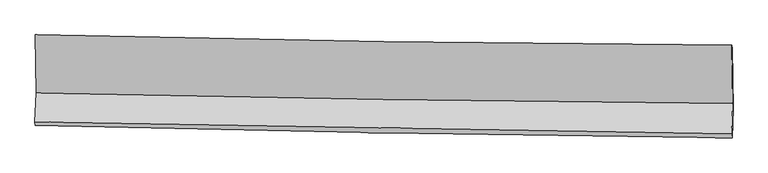
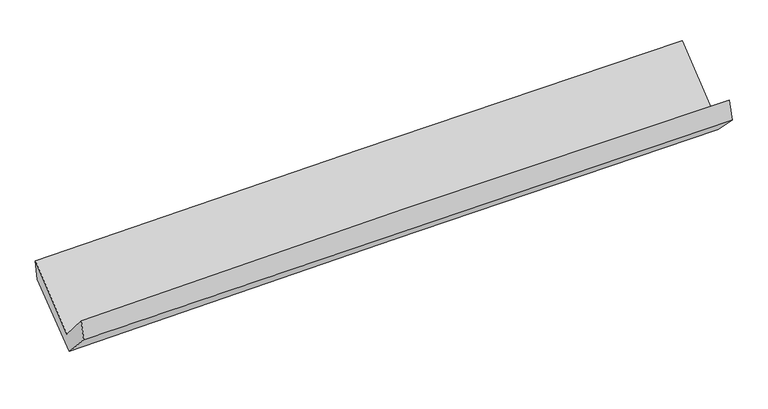
"""IFC4 building model written with IfcOpenShell, lengths in millimetres: proxy geometry."""

from ifc_helpers import new_model, si_unit, frame, origin, place, context, project, spatial, source, transform, mapped, element, save
from ifc_brep_helpers import plane_surface, spline_curve, spline_surface, advanced_brep


def generic_models_2242b360(model_context):
    return source(origin(), model_context, "Body", "AdvancedBrep", [
        advanced_brep(
        [(-3023.2710641, -1165.7506147, 2160.5037349), (-3016.4706133, -1668.1714794, 1731.4702966), (3009.6626958, -1762.1552603, 1858.2688236), (3002.7780909, -1253.4830888, 2292.6232131), (-3026.565024, -1919.0086367, 2023.3777081), (2998.8722281, -2024.8850335, 2172.174923), (-3022.2303746, -1950.4000709, 1849.884446), (3003.4164476, -2060.0050527, 1989.5284593), (-3012.6670375, -1698.9072639, 1578.1289036), (3012.4240772, -1807.4699078, 1738.9828433), (-3018.902591, -1189.3789682, 1988.4283394), (3006.7380326, -1280.6845267, 2134.6385147)],
        [
            (0, 1),
            (1, 2, spline_curve(3, [(-3016.4706133, -1668.1714794, 1731.4702966), (-2012.620856131, -1691.393567077, 1768.839621603), (-1008.516545179, -1710.836605841, 1798.090836171), (1000.194561309, -1742.164483059, 1840.356904662), (2004.801353135, -1754.04937114, 1853.371865907), (3009.6626958, -1762.1552603, 1858.2688236)], [4, 2, 4], [0.0, 9.88913454590495, 19.778203875689925])),
            (2, 3),
            (3, 0, spline_curve(3, [(3002.7780909, -1253.4830888, 2292.6232131), (1997.959053674, -1248.49734902, 2285.059126271), (993.380427142, -1238.693479608, 2270.267186495), (-1015.302627919, -1209.449385164, 2226.227455489), (-2019.407053062, -1190.009096533, 2196.979569344), (-3023.2710641, -1165.7506147, 2160.5037349)], [4, 2, 4], [0.0, 9.889069329784975, 19.778203875689925])),
            (1, 4),
            (4, 5, spline_curve(3, [(-3026.565024, -1919.0086367, 2023.3777081), (-2022.633451514, -1937.711053598, 2059.241766862), (-1018.54623824, -1955.885322335, 2089.573586723), (989.932848135, -1991.177447894, 2139.172585531), (1994.324718571, -2008.29531128, 2158.439837138), (2998.8722281, -2024.8850335, 2172.174923)], [4, 2, 4], [0.0, 9.889044052945371, 19.77802289036754])),
            (5, 2),
            (4, 6),
            (6, 7, spline_curve(3, [(-3022.2303746, -1950.4000709, 1849.884446), (-2018.133071631, -1975.085634172, 1877.459767102), (-1013.945529167, -1996.562184027, 1902.884459867), (994.603413032, -2033.097135703, 1949.432435847), (1998.964810879, -2048.155579778, 1970.555747378), (3003.4164476, -2060.0050527, 1989.5284593)], [4, 2, 4], [0.0, 9.888967913984152, 19.77787061294722])),
            (7, 5),
            (6, 8),
            (8, 9, spline_curve(3, [(-3012.6670375, -1698.9072639, 1578.1289036), (-2008.843700815, -1722.96265986, 1616.201060337), (-1004.839449945, -1744.037265025, 1648.641659325), (1003.524257221, -1780.224773652, 1702.259564877), (2007.883711412, -1795.337716592, 1723.436945711), (3012.4240772, -1807.4699078, 1738.9828433)], [4, 2, 4], [0.0, 9.88900270565638, 19.777940196062232])),
            (9, 7),
            (8, 10),
            (10, 11, spline_curve(3, [(-3018.902591, -1189.3789682, 1988.4283394), (-2014.761043168, -1208.831840655, 2016.154753921), (-1010.551894609, -1226.167091243, 2042.202177169), (997.994980681, -1256.602249801, 2090.938879928), (2002.332706692, -1269.702184978, 2113.628181903), (3006.7380326, -1280.6845267, 2134.6385147)], [4, 2, 4], [0.0, 9.888845014382897, 19.7776248145552])),
            (11, 9),
            (10, 0),
            (3, 11),
        ],
        [
            spline_surface(3, 3, [[(-3023.2710641, -1165.7506147, 2160.5037349), (-2019.407052964, -1190.009096516, 2196.979569386), (-1015.302627798, -1209.449385129, 2226.227455628), (993.38042702, -1238.693479642, 2270.267186357), (1997.959053559, -1248.497349005, 2285.059126193), (3002.7780909, -1253.4830888, 2292.6232131)], [(-3021.004247187, -1333.224236284, 2017.49258878), (-2017.144987384, -1357.13725335, 2054.266253447), (-1013.040600245, -1376.578458711, 2083.515249116), (995.651805099, -1406.517147429, 2126.963759139), (2000.239820128, -1417.01468968, 2141.163372756), (3005.072959202, -1423.040479293, 2147.838416605)], [(-3018.737430213, -1500.697857816, 1874.48144272), (-2014.882921743, -1524.26541013, 1911.552937567), (-1010.778572685, -1543.707532305, 1940.803042622), (997.923183184, -1574.340815227, 1983.660331941), (2002.52058669, -1585.532030374, 1997.267619305), (3007.367827498, -1592.597869807, 2003.053620095)], [(-3016.4706133, -1668.1714794, 1731.4702966), (-2012.620856162, -1691.393566964, 1768.839621628), (-1008.516545132, -1710.836605886, 1798.09083611), (1000.194561262, -1742.164483014, 1840.356904723), (2004.801353258, -1754.049371049, 1853.371865869), (3009.6626958, -1762.1552603, 1858.2688236)]], [4, 4], [4, 2, 4], [0.0, 2.167695295052989], [0.0, 9.88913454590495, 19.778203875689925]),
            spline_surface(3, 3, [[(-3016.4706133, -1668.1714794, 1731.4702966), (-2012.620856162, -1691.393566964, 1768.839621628), (-1008.516545132, -1710.836605886, 1798.09083611), (1000.194561262, -1742.164483014, 1840.356904723), (2004.801353258, -1754.049371049, 1853.371865869), (3009.6626958, -1762.1552603, 1858.2688236)], [(-3019.835416851, -1751.783865176, 1828.772767118), (-2015.958387942, -1773.49939584, 1865.640336711), (-1011.859776116, -1792.519511416, 1895.251752994), (996.773990171, -1825.168804599, 1939.96213162), (2001.3091417, -1838.798017743, 1955.06118961), (3006.065873233, -1849.731851364, 1962.904190051)], [(-3023.200220449, -1835.396250924, 1926.075237582), (-2019.295919768, -1855.605224689, 1962.44105174), (-1015.203007105, -1874.202416938, 1992.412669917), (993.353419075, -1908.173126176, 2039.567358556), (1997.816930143, -1923.546664446, 2056.750513397), (3002.469050667, -1937.308442436, 2067.539556549)], [(-3026.565024, -1919.0086367, 2023.3777081), (-2022.633451548, -1937.711053565, 2059.241766823), (-1018.546238089, -1955.885322468, 2089.573586801), (989.932847984, -1991.177447761, 2139.172585453), (1994.324718585, -2008.29531114, 2158.439837137), (2998.8722281, -2024.8850335, 2172.174923)]], [4, 4], [4, 2, 4], [0.0, 1.263188166430553], [0.0, 9.889044052945371, 19.77802289036754]),
            spline_surface(3, 3, [[(-3026.565024, -1919.0086367, 2023.3777081), (-2022.633451548, -1937.711053565, 2059.241766823), (-1018.546238089, -1955.885322468, 2089.573586801), (989.932847984, -1991.177447761, 2139.172585453), (1994.324718585, -2008.29531114, 2158.439837137), (2998.8722281, -2024.8850335, 2172.174923)], [(-3025.120140893, -1929.472448089, 1965.546620723), (-2021.133324948, -1950.169247142, 1998.647766858), (-1017.012668401, -1969.44427634, 2027.343877822), (991.489702961, -2005.150677067, 2075.925868943), (1995.87141605, -2021.582067373, 2095.811807244), (3000.386967936, -2036.591706552, 2111.29276843)], [(-3023.675257707, -1939.936259511, 1907.715533377), (-2019.633198268, -1962.627440753, 1938.053766925), (-1015.479098726, -1983.003230195, 1965.114168806), (993.046557925, -2019.123906357, 2012.679152397), (1997.418113507, -2034.868823651, 2033.183777362), (3001.901707764, -2048.298379648, 2050.41061387)], [(-3022.2303746, -1950.4000709, 1849.884446), (-2018.133071668, -1975.085634331, 1877.459766961), (-1013.945529038, -1996.562184067, 1902.884459827), (994.603412902, -2033.097135664, 1949.432435887), (1998.964810973, -2048.155579884, 1970.555747469), (3003.4164476, -2060.0050527, 1989.5284593)]], [4, 4], [4, 2, 4], [0.0, 0.6323752518512131], [0.0, 9.888967913984152, 19.77787061294722]),
            spline_surface(3, 3, [[(-3022.2303746, -1950.4000709, 1849.884446), (-2018.133071668, -1975.085634331, 1877.459766961), (-1013.945529038, -1996.562184067, 1902.884459827), (994.603412902, -2033.097135664, 1949.432435887), (1998.964810973, -2048.155579884, 1970.555747469), (3003.4164476, -2060.0050527, 1989.5284593)], [(-3019.042595565, -1866.569135226, 1759.299265192), (-2015.036614705, -1891.04464288, 1790.37353141), (-1010.91016938, -1912.387211054, 1818.136859645), (997.577027685, -1948.806348337, 1867.041478898), (2001.937777787, -1963.882958802, 1888.182813608), (3006.418990813, -1975.826671075, 1906.013253982)], [(-3015.854816535, -1782.738199574, 1668.714084408), (-2011.940157745, -1807.003651451, 1703.287295882), (-1007.874809678, -1828.212238023, 1733.389259463), (1000.550642512, -1864.515560992, 1784.650521909), (2004.910744562, -1879.610337697, 1805.8098797), (3009.421533987, -1891.648289425, 1822.498048618)], [(-3012.6670375, -1698.9072639, 1578.1289036), (-2008.843700782, -1722.96266, 1616.201060331), (-1004.83945002, -1744.037265011, 1648.641659281), (1003.524257295, -1780.224773666, 1702.25956492), (2007.883711376, -1795.337716616, 1723.436945838), (3012.4240772, -1807.4699078, 1738.9828433)]], [4, 4], [4, 2, 4], [0.0, 1.1682382866237893], [0.0, 9.88900270565638, 19.777940196062232]),
            spline_surface(3, 3, [[(-3012.6670375, -1698.9072639, 1578.1289036), (-2008.843700782, -1722.96266, 1616.201060331), (-1004.83945002, -1744.037265011, 1648.641659281), (1003.524257295, -1780.224773666, 1702.25956492), (2007.883711376, -1795.337716616, 1723.436945838), (3012.4240772, -1807.4699078, 1738.9828433)], [(-3014.745555311, -1529.064498665, 1714.895382194), (-2010.816148233, -1551.585720198, 1749.518958193), (-1006.743598231, -1571.413873808, 1779.828498547), (1001.681165122, -1605.683932321, 1831.819336633), (2006.0333765, -1620.125872734, 1853.500691216), (3010.528728998, -1631.874780754, 1870.868067102)], [(-3016.824073189, -1359.221733435, 1851.661860806), (-2012.78859575, -1380.208780399, 1882.836856072), (-1008.647746468, -1398.79048261, 1911.015337793), (999.838072923, -1431.143090981, 1961.379108326), (2004.183041629, -1444.91402889, 1983.564436588), (3008.633380802, -1456.279653746, 2002.753290898)], [(-3018.902591, -1189.3789682, 1988.4283394), (-2014.761043201, -1208.831840597, 2016.154753934), (-1010.551894679, -1226.167091408, 2042.202177059), (997.99498075, -1256.602249636, 2090.938880038), (2002.332706753, -1269.702185008, 2113.628181965), (3006.7380326, -1280.6845267, 2134.6385147)]], [4, 4], [4, 2, 4], [0.0, 2.1367894781322874], [0.0, 9.888845014382897, 19.7776248145552]),
            spline_surface(3, 3, [[(-3018.902591, -1189.3789682, 1988.4283394), (-2014.761043201, -1208.831840597, 2016.154753934), (-1010.551894679, -1226.167091408, 2042.202177059), (997.99498075, -1256.602249636, 2090.938880038), (2002.332706753, -1269.702185008, 2113.628181965), (3006.7380326, -1280.6845267, 2134.6385147)], [(-3020.358748692, -1181.50285036, 2045.786804593), (-2016.309713115, -1202.557592563, 2076.429692444), (-1012.135472383, -1220.59452264, 2103.543936583), (996.456796176, -1250.63265963, 2150.714982145), (2000.874822339, -1262.63390637, 2170.771830038), (3005.418052018, -1271.617380763, 2187.30008083)], [(-3021.814906408, -1173.62673254, 2103.145269707), (-2017.858383051, -1196.28334455, 2136.704630876), (-1013.719050094, -1215.021953897, 2164.885696104), (994.918611595, -1244.663069648, 2210.491084249), (1999.416937973, -1255.565627643, 2227.91547812), (3004.098071482, -1262.550234737, 2239.96164697)], [(-3023.2710641, -1165.7506147, 2160.5037349), (-2019.407052964, -1190.009096516, 2196.979569386), (-1015.302627798, -1209.449385129, 2226.227455628), (993.38042702, -1238.693479642, 2270.267186357), (1997.959053559, -1248.497349005, 2285.059126193), (3002.7780909, -1253.4830888, 2292.6232131)]], [4, 4], [4, 2, 4], [0.0, 0.5989499890297341], [0.0, 9.888830446137757, 19.777595678160992]),
            plane_surface(frame((3005.6485954, -1698.1138116, 2031.0361295), z_axis=(0.9996024759749877, -0.009221427541302517, 0.026643109780476536), x_axis=(-0.008630303820778415, 0.7995571970815993, 0.6005279397754758))),
            plane_surface(frame((-3020.0177841, -1598.602839, 1888.6322381), z_axis=(-0.9996024759751488, 0.009221427537522532, -0.02664310977574674), x_axis=(0.025143014888059475, -0.13599443875706602, -0.9903904994644737))),
        ],
        [
            (0, [[1, 2, 3, 4]]),
            (1, [[5, 6, 7, -2]]),
            (2, [[8, 9, 10, -6]]),
            (3, [[11, 12, 13, -9]]),
            (4, [[14, 15, 16, -12]]),
            (5, [[17, -4, 18, -15]]),
            (6, [[-16, -18, -3, -7, -10, -13]]),
            (7, [[-17, -14, -11, -8, -5, -1]]),
        ],
    ),
    ])


if __name__ == "__main__":
    model = new_model("IFC4")
    model_context = context("Model", 3, world=origin())
    ifc_project = project(units=[si_unit("LENGTHUNIT", "METRE", prefix="MILLI")], contexts=[model_context])
    site = spatial("IfcSite", under=ifc_project)
    building = spatial("IfcBuilding", under=site)
    placement = place(None, origin())
    generic_models_shape = generic_models_2242b360(model_context)
    element("IfcBuildingElementProxy", 1, Name="Generic Models", at=placement, inside=building, context=model_context, shape_type="MappedRepresentation", body=[
        mapped(generic_models_shape, transform((0.0, 0.0, 0.0), x_axis=(1.0, 0.0, 0.0), y_axis=(0.0, 1.0, 0.0), z_axis=(0.0, 0.0, 1.0))),
    ])
    save(model, "model.ifc")
